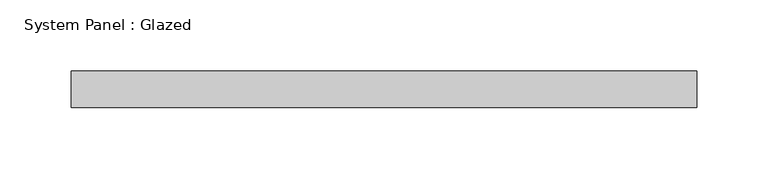
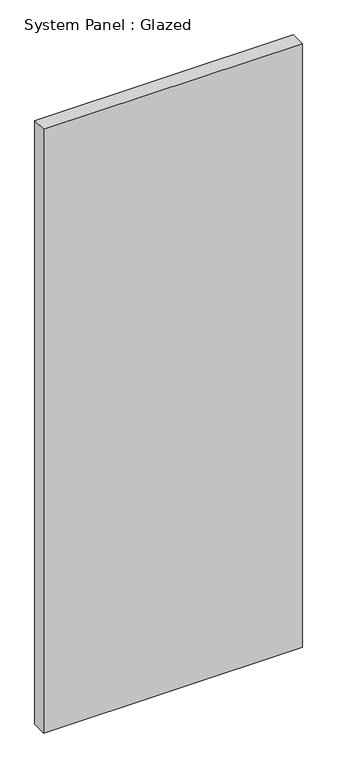
"""IFC4 building model written with IfcOpenShell, lengths in millimetres: plate geometry, System Panel : Glazed."""

from ifc_helpers import new_model, si_unit, origin, origin_with_axes, place, context, project, spatial, polyline, outline, extrude, source, transform, mapped, element, save


def system_panel_glazed_c5959975(model_context):
    return source(origin(), model_context, "Body", "SweptSolid", [
        extrude(outline(polyline([(219.075, -12.7), (-219.075, -12.7), (-219.075, 12.7), (219.075, 12.7), (219.075, -12.7)])), origin_with_axes(), (0.0, 0.0, 1.0), 1080.0),
    ])


if __name__ == "__main__":
    model = new_model("IFC4")
    model_context = context("Model", 3, world=origin())
    ifc_project = project(units=[si_unit("LENGTHUNIT", "METRE", prefix="MILLI")], contexts=[model_context])
    site = spatial("IfcSite", under=ifc_project)
    building = spatial("IfcBuilding", under=site)
    placement = place(None, origin())
    system_panel_glazed_shape = system_panel_glazed_c5959975(model_context)
    element("IfcPlate", 1, ObjectType="System Panel : Glazed", at=placement, inside=building, context=model_context, shape_type="MappedRepresentation", body=[
        mapped(system_panel_glazed_shape, transform((0.0, 0.0, 0.0), x_axis=(1.0, 0.0, 0.0), y_axis=(0.0, 1.0, 0.0), z_axis=(0.0, 0.0, 1.0))),
    ])
    save(model, "model.ifc")
